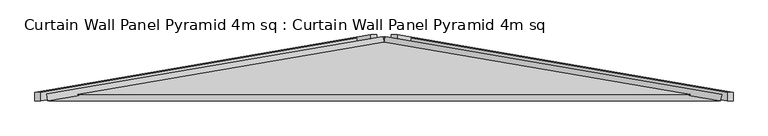
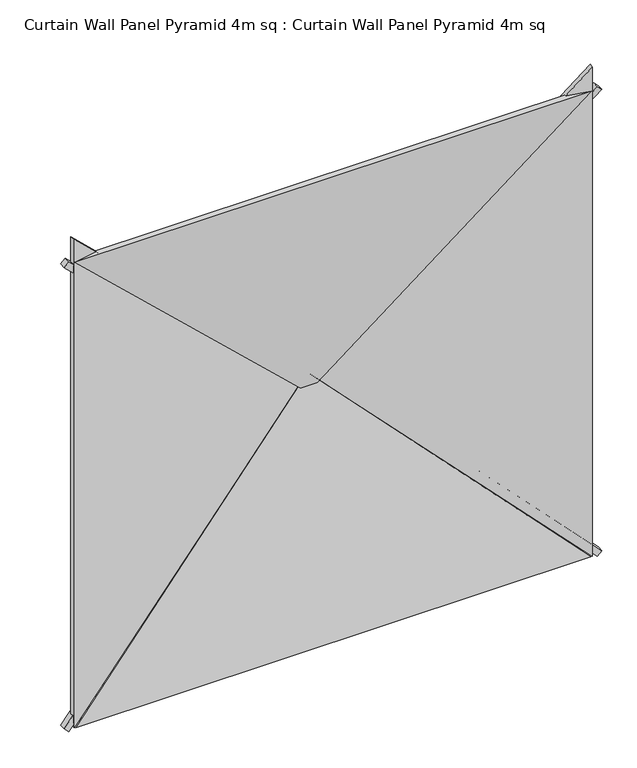
"""IFC4 building model written with IfcOpenShell, lengths in millimetres: plate geometry, Curtain Wall Panel Pyramid 4m sq : Curtain Wall Panel Pyramid 4m sq."""

from ifc_helpers import new_model, si_unit, frame, origin, place, context, project, spatial, polyline, outline, extrude, source, transform, mapped, element, save


def curtain_wall_panel_pyramid_4m_sq_curtain_wall_panel_pyramid_c57ed71b(model_context):
    return source(origin(), model_context, "Body", "SweptSolid", [
        extrude(outline(polyline([(-25.0, 0.0), (25.0, 0.0), (-319.5008531, -2828.2124727), (-369.5008531, -2828.2124727), (-25.0, 0.0)])), frame((2042.3223305, 25.0, -17.6776695), z_axis=(0.7071067811865489, 0.0, 0.7071067811865462), x_axis=(0.0, -1.0, 0.0)), (0.0, 0.0, 1.0), 50.0),
        extrude(outline(polyline([(-25.0, 0.0), (25.0, 0.0), (369.5008531, -2828.2124727), (319.5008531, -2828.2124727), (-25.0, 0.0)])), frame((-2042.3223305, 25.0, -17.6776695), z_axis=(-0.7071067811865475, 0.0, 0.7071067811865477), x_axis=(0.0, 1.0, 0.0)), (0.0, 0.0, 1.0), 50.0),
        extrude(outline(polyline([(-25.0, 0.0), (25.0, 0.0), (369.5008531, -2828.2124727), (319.5008531, -2828.2124727), (-25.0, 0.0)])), frame((-2077.6776695, 25.0, 3782.3223305), z_axis=(0.7071067811865488, 0.0, 0.7071067811865462), x_axis=(0.0, 1.0, 0.0)), (0.0, 0.0, 1.0), 50.0),
        extrude(outline(polyline([(-25.0, 0.0), (25.0, 0.0), (-319.5008531, -2828.2124727), (-369.5008531, -2828.2124727), (-25.0, 0.0)])), frame((2077.6776695, 25.0, 3782.3223305), z_axis=(-0.7071067811865472, 0.0, 0.7071067811865479), x_axis=(0.0, -1.0, 0.0)), (0.0, 0.0, 1.0), 50.0),
        extrude(outline(polyline([(1993.2098768, -1014.7271131), (-2.1709376, 1016.8143409), (3988.5906912, 1016.8143409), (1993.2098768, -1014.7271131)])), frame((1000.0, 172.8335872, 0.0), z_axis=(0.16975307948003834, 0.9854866270056859, 0.0), x_axis=(0.0, 0.0, 1.0)), (0.0, 0.0, 1.0), 40.0),
        extrude(outline(polyline([(0.0, -1014.7271131), (-1991.3928218, 1012.7540773), (1991.3928218, 1012.7540773), (0.0, -1014.7271131)])), frame((0.0, 212.2530523, 986.4197536), z_axis=(0.0, -0.9854866270056859, 0.16975307948003834), x_axis=(-1.0, 0.0, 0.0)), (0.0, 0.0, 1.0), 40.0),
        extrude(outline(polyline([(1993.2098768, 1014.7271131), (3986.6374086, -1014.8256606), (-0.217655, -1014.8256606), (1993.2098768, 1014.7271131)])), frame((-1000.0, 172.8335872, 0.0), z_axis=(-0.16975307948003834, 0.9854866270056859, 0.0), x_axis=(0.0, 0.0, 1.0)), (0.0, 0.0, 1.0), 40.0),
        extrude(outline(polyline([(1996.304868, -1017.8221042), (-1996.2959025, -1017.8221042), (2.4233431, 976.0594205), (1996.304868, -1017.8221042)])), frame((0.0, 172.8335872, 2793.2098768), z_axis=(0.0, 0.9854866270056859, 0.16975307948003832), x_axis=(1.0, 0.0, 0.0)), (0.0, 0.0, 1.0), 40.0),
    ])


if __name__ == "__main__":
    model = new_model("IFC4")
    model_context = context("Model", 3, world=origin())
    ifc_project = project(units=[si_unit("LENGTHUNIT", "METRE", prefix="MILLI")], contexts=[model_context])
    site = spatial("IfcSite", under=ifc_project)
    building = spatial("IfcBuilding", under=site)
    placement = place(None, origin())
    curtain_wall_panel_pyramid_4m_sq_curtain_wall_panel_pyramid_shape = curtain_wall_panel_pyramid_4m_sq_curtain_wall_panel_pyramid_c57ed71b(model_context)
    element("IfcPlate", 1, ObjectType="Curtain Wall Panel Pyramid 4m sq : Curtain Wall Panel Pyramid 4m sq", at=placement, inside=building, context=model_context, shape_type="MappedRepresentation", body=[
        mapped(curtain_wall_panel_pyramid_4m_sq_curtain_wall_panel_pyramid_shape, transform((0.0, 0.0, 0.0), x_axis=(1.0, 0.0, 0.0), y_axis=(0.0, 1.0, 0.0), z_axis=(0.0, 0.0, 1.0))),
    ])
    save(model, "model.ifc")
